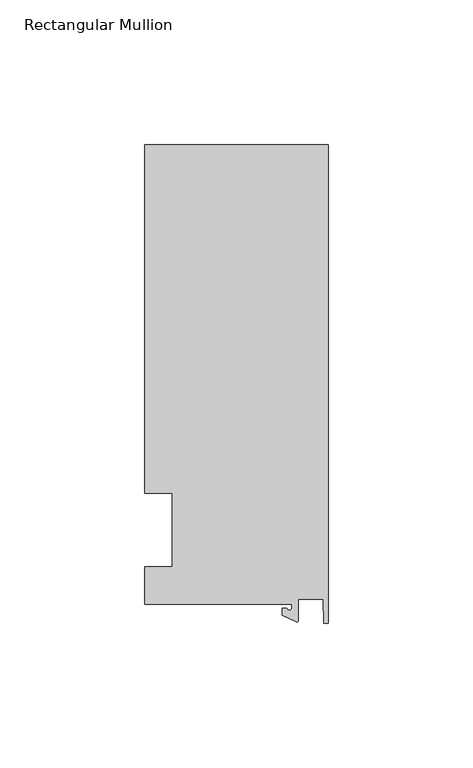
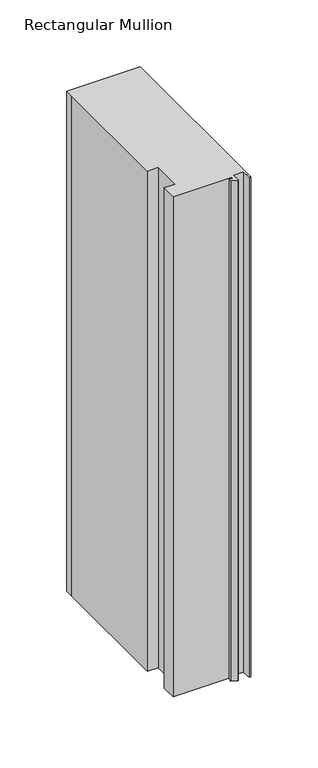
"""IFC4 building model written with IfcOpenShell, lengths in millimetres: member geometry, Rectangular Mullion."""

from ifc_helpers import new_model, si_unit, point, frame, frame_2d, origin, place, context, project, spatial, polyline, circle_curve, trimmed, segment, composite_curve, outline, extrude, source, transform, mapped, element, save


def rectangular_mullion_91c525ae(model_context):
    return source(origin(), model_context, "Body", "SweptSolid", [
        extrude(outline(composite_curve([segment(polyline([(-12.6173814, -25.796875), (-63.5, -25.796875), (-63.5, -12.7), (-53.975, -12.7), (-53.975, 12.7), (-63.5, 12.7), (-63.5, 125.8114907), (-63.5, 133.34365), (0.0, 133.34365), (0.0, -32.288874), (-1.5658966, -32.288874), (-1.7144124, -23.9227662), (-10.2297814, -23.9227662), (-10.2297814, -31.2414327)]), True, "CONTINUOUS"), segment(trimmed(circle_curve(frame_2d((-10.7377814, -31.2414327)), 0.508), [point((-10.2297814, -31.2414327))], [point((-10.9524715, -31.7018371))], False, "CARTESIAN"), True, "CONTINUOUS"), segment(polyline([(-10.9524715, -31.7018371), (-15.7923814, -29.44495), (-15.7923814, -27.0827507), (-14.2048814, -27.0827507)]), True, "CONTINUOUS"), segment(trimmed(circle_curve(frame_2d((-13.4111314, -27.0827507)), 0.79375), [point((-14.2048814, -27.0827507))], [point((-12.6173814, -27.0827507))], True, "CARTESIAN"), True, "CONTINUOUS"), segment(polyline([(-12.6173814, -27.0827507), (-12.6173814, -25.796875)]), True, "CONTINUOUS")], self_intersect=False)), frame((0.0, 0.0, -457.2), z_axis=(0.0, 0.0, 1.0), x_axis=(1.0, 0.0, 0.0)), (0.0, 0.0, 1.0), 457.2),
    ])


if __name__ == "__main__":
    model = new_model("IFC4")
    model_context = context("Model", 3, world=origin())
    ifc_project = project(units=[si_unit("LENGTHUNIT", "METRE", prefix="MILLI")], contexts=[model_context])
    site = spatial("IfcSite", under=ifc_project)
    building = spatial("IfcBuilding", under=site)
    placement = place(None, origin())
    rectangular_mullion_shape = rectangular_mullion_91c525ae(model_context)
    element("IfcMember", 1, ObjectType="Rectangular Mullion", at=placement, inside=building, context=model_context, shape_type="MappedRepresentation", body=[
        mapped(rectangular_mullion_shape, transform((0.0, 0.0, 0.0), x_axis=(1.0, 0.0, 0.0), y_axis=(0.0, 1.0, 0.0), z_axis=(0.0, 0.0, 1.0))),
    ])
    save(model, "model.ifc")
